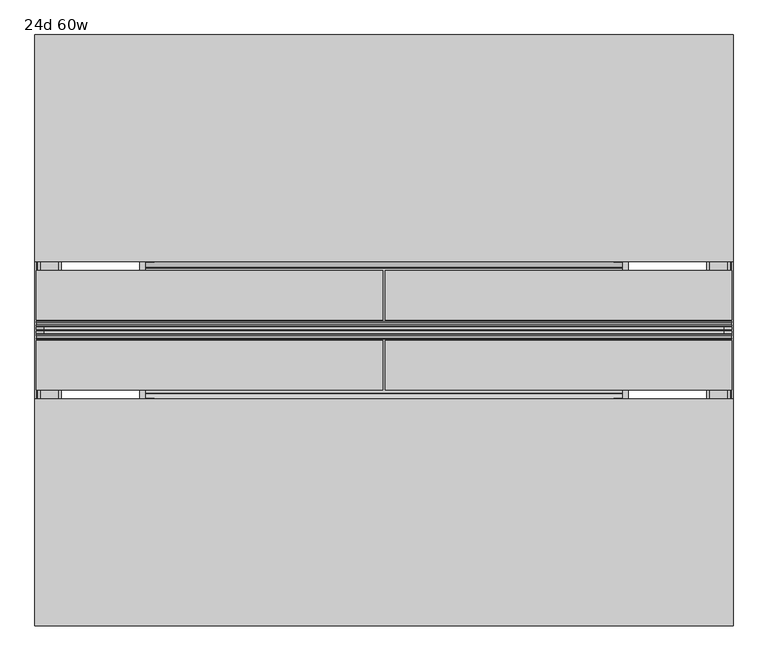
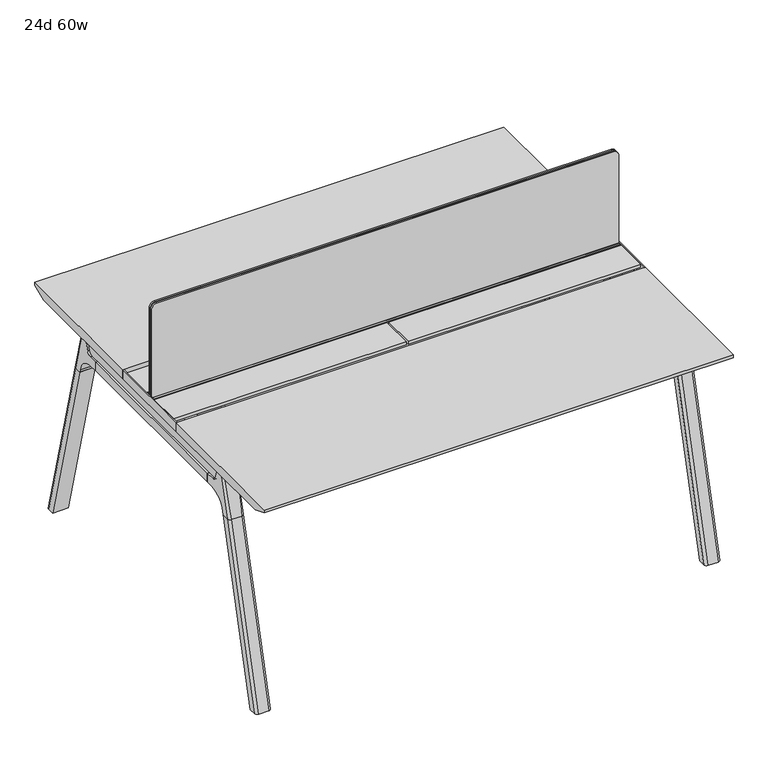
"""IFC4 building model written with IfcOpenShell, lengths in millimetres: furniture geometry, 24d 60w."""

from ifc_helpers import new_model, si_unit, point, frame, frame_2d, origin, place, context, project, spatial, polyline, circle_curve, ellipse_curve, trimmed, segment, composite_curve, outline, extrude, source, transform, mapped, element, save
from ifc_brep_helpers import plane_surface, cylinder_surface, revolved_surface, advanced_brep


def furniture_24d_60w_2d22938a(model_context):
    return source(origin(), model_context, "Body", "SolidModel", [
        extrude(outline(composite_curve([segment(polyline([(1054.89375, 955.675), (1054.89375, -523.875)]), True, "CONTINUOUS"), segment(trimmed(circle_curve(frame_2d((1039.01875, -523.875)), 15.875), [point((1054.89375, -523.875))], [point((1039.01875, -539.75))], False, "CARTESIAN"), True, "CONTINUOUS"), segment(polyline([(1039.01875, -539.75), (720.725, -539.75), (720.725, 971.55), (1039.01875, 971.55)]), True, "CONTINUOUS"), segment(trimmed(circle_curve(frame_2d((1039.01875, 955.675)), 15.875), [point((1039.01875, 971.55))], [point((1054.89375, 955.675))], False, "CARTESIAN"), True, "CONTINUOUS")], self_intersect=False)), frame((0.0, -201.3409766, 0.0), z_axis=(0.0, 1.0, 0.0), x_axis=(0.0, 0.0, 1.0)), (0.0, 0.0, 1.0), 3.175),
        extrude(outline(composite_curve([segment(polyline([(1058.06875, 958.85), (1058.06875, -527.05)]), True, "CONTINUOUS"), segment(trimmed(circle_curve(frame_2d((1042.19375, -527.05)), 15.875), [point((1058.06875, -527.05))], [point((1042.19375, -542.925))], False, "CARTESIAN"), True, "CONTINUOUS"), segment(polyline([(1042.19375, -542.925), (717.55, -542.925), (717.55, 974.725), (1042.19375, 974.725)]), True, "CONTINUOUS"), segment(trimmed(circle_curve(frame_2d((1042.19375, 958.85)), 15.875), [point((1042.19375, 974.725))], [point((1058.06875, 958.85))], False, "CARTESIAN"), True, "CONTINUOUS")], self_intersect=False)), frame((0.0, -198.1659766, 0.0), z_axis=(0.0, 1.0, 0.0), x_axis=(0.0, 0.0, 1.0)), (0.0, 0.0, 1.0), 5.55625),
        extrude(outline(composite_curve([segment(polyline([(1058.06875, 958.85), (1058.06875, -527.05)]), True, "CONTINUOUS"), segment(trimmed(circle_curve(frame_2d((1042.19375, -527.05)), 15.875), [point((1058.06875, -527.05))], [point((1042.19375, -542.925))], False, "CARTESIAN"), True, "CONTINUOUS"), segment(polyline([(1042.19375, -542.925), (717.55, -542.925), (717.55, 974.725), (1042.19375, 974.725)]), True, "CONTINUOUS"), segment(trimmed(circle_curve(frame_2d((1042.19375, 958.85)), 15.875), [point((1042.19375, 974.725))], [point((1058.06875, 958.85))], False, "CARTESIAN"), True, "CONTINUOUS")], self_intersect=False)), frame((0.0, -206.8972266, 0.0), z_axis=(0.0, 1.0, 0.0), x_axis=(0.0, 0.0, 1.0)), (0.0, 0.0, 1.0), 5.55625),
        extrude(outline(polyline([(-348.9784469, 559.4636683), (-364.040663, 627.7843353), (-35.4662901, 627.7843353), (-50.5285062, 559.4636683), (-46.7502281, 557.2647146), (-46.7502281, 549.3667827), (-62.6252238, 521.8704736), (-336.8817293, 521.8704736), (-352.756725, 549.3667827), (-352.756725, 557.2647146), (-348.9784469, 559.4636683)])), frame((736.6, 0.0, 0.0), z_axis=(1.0, 0.0, 0.0), x_axis=(0.0, 1.0, 0.0)), (0.0, 0.0, 1.0), 12.7),
        extrude(outline(polyline([(-348.9784469, 559.4636683), (-364.040663, 627.7843353), (-35.4662901, 627.7843353), (-50.5285062, 559.4636683), (-46.7502281, 557.2647146), (-46.7502281, 549.3667827), (-62.6252238, 521.8704736), (-336.8817293, 521.8704736), (-352.756725, 549.3667827), (-352.756725, 557.2647146), (-348.9784469, 559.4636683)])), frame((-317.5, 0.0, 0.0), z_axis=(1.0, 0.0, 0.0), x_axis=(0.0, 1.0, 0.0)), (0.0, 0.0, 1.0), 12.7),
        extrude(outline(polyline([(-18.0090763, 698.5), (3.7767266, 698.5), (3.7767266, 697.2935087), (-17.4495292, 697.2935087), (-19.0070753, 695.7359626), (-49.1186716, 559.1528512), (-50.5285062, 559.4636683), (-20.404074, 696.1050023), (-18.0090763, 698.5)])), frame((-317.5, 0.0, 0.0), z_axis=(1.0, 0.0, 0.0), x_axis=(0.0, 1.0, 0.0)), (0.0, 0.0, 1.0), 31.8008024),
        extrude(outline(polyline([(-381.4978768, 698.5), (-379.1028791, 696.1050023), (-348.9784469, 559.4636683), (-350.3882815, 559.1528512), (-380.4998778, 695.7359626), (-382.0574239, 697.2935087), (-403.2836797, 697.2935087), (-403.2836797, 698.5), (-381.4978768, 698.5)])), frame((-317.5, 0.0, 0.0), z_axis=(1.0, 0.0, 0.0), x_axis=(0.0, 1.0, 0.0)), (0.0, 0.0, 1.0), 31.8008024),
        extrude(outline(polyline([(-18.0090763, 698.5), (3.7767266, 698.5), (3.7767266, 697.2935087), (-17.4495292, 697.2935087), (-19.0070753, 695.7359626), (-49.1186716, 559.1528512), (-50.5285062, 559.4636683), (-20.404074, 696.1050023), (-18.0090763, 698.5)])), frame((717.4991976, 0.0, 0.0), z_axis=(1.0, 0.0, 0.0), x_axis=(0.0, 1.0, 0.0)), (0.0, 0.0, 1.0), 31.8008024),
        extrude(outline(polyline([(-381.4978768, 698.5), (-379.1028791, 696.1050023), (-348.9784469, 559.4636683), (-350.3882815, 559.1528512), (-380.4998778, 695.7359626), (-382.0574239, 697.2935087), (-403.2836797, 697.2935087), (-403.2836797, 698.5), (-381.4978768, 698.5)])), frame((717.4991976, 0.0, 0.0), z_axis=(1.0, 0.0, 0.0), x_axis=(0.0, 1.0, 0.0)), (0.0, 0.0, 1.0), 31.8008024),
        extrude(outline(polyline([(-353.550475, 557.5934966), (-351.518477, 559.6254947), (-350.957211, 559.0642287), (-352.756725, 557.2647146), (-352.756725, 549.3667827), (-352.5317745, 548.5272622), (-337.4390802, 522.3859395), (-336.0037101, 521.5572272), (-63.503243, 521.5572272), (-62.0678729, 522.3859395), (-46.9751786, 548.5272622), (-46.7502281, 549.3667827), (-46.7502281, 557.2647146), (-48.5497421, 559.0642287), (-47.9884761, 559.6254947), (-45.9564781, 557.5934966), (-45.9564781, 549.2622828), (-46.2355217, 548.2208856), (-61.4868074, 521.8048744), (-63.2905581, 520.7634772), (-336.216395, 520.7634772), (-338.0201457, 521.8048744), (-353.2714314, 548.2208856), (-353.550475, 549.2622828), (-353.550475, 557.5934966)])), frame((-317.4492037, 0.0, 0.0), z_axis=(1.0, 0.0, 0.0), x_axis=(0.0, 1.0, 0.0)), (0.0, 0.0, 1.0), 1066.7492037),
        extrude(outline(polyline([(-218.8034766, 715.9625), (-218.8034766, 741.3625), (-217.2159766, 741.3625), (-217.2159766, 720.725), (-210.8659766, 720.725), (-210.8659766, 741.3625), (-209.2784766, 741.3625), (-209.2784766, 717.55), (-190.2284766, 717.55), (-190.2284766, 741.3625), (-188.6409766, 741.3625), (-188.6409766, 720.725), (-182.2909766, 720.725), (-182.2909766, 741.3625), (-180.7034766, 741.3625), (-180.7034766, 715.9625), (-218.8034766, 715.9625)])), frame((-542.925, 0.0, 0.0), z_axis=(1.0, 0.0, 0.0), x_axis=(0.0, 1.0, 0.0)), (0.0, 0.0, 1.0), 1517.65),
        extrude(outline(composite_curve([segment(polyline([(175.6902734, 711.2), (166.6321726, 677.3947076)]), True, "CONTINUOUS"), segment(trimmed(circle_curve(frame_2d((151.2981001, 681.5034599)), 15.875), [point((166.6321726, 677.3947076))], [point((151.2981001, 665.6284599))], False, "CARTESIAN"), True, "CONTINUOUS"), segment(polyline([(151.2981001, 665.6284599), (-550.8050533, 665.6284599)]), True, "CONTINUOUS"), segment(trimmed(circle_curve(frame_2d((-550.8050533, 681.5034599)), 15.875), [point((-550.8050533, 665.6284599))], [point((-566.1391258, 677.3947076))], False, "CARTESIAN"), True, "CONTINUOUS"), segment(polyline([(-566.1391258, 677.3947076), (-575.1972266, 711.2), (175.6902734, 711.2)]), True, "CONTINUOUS")], self_intersect=False)), frame((927.1, 0.0, 0.0), z_axis=(1.0, 0.0, 0.0), x_axis=(0.0, 1.0, 0.0)), (0.0, 0.0, 1.0), 38.1),
        extrude(outline(polyline([(971.55, 115.3652734), (971.55, -514.8722266), (920.75, -514.8722266), (920.75, 115.3652734), (971.55, 115.3652734)])), frame((0.0, 0.0, 635.6476591), z_axis=(0.0, 0.0, 1.0), x_axis=(1.0, 0.0, 0.0)), (0.0, 0.0, 1.0), 29.9808008),
        extrude(outline(composite_curve([segment(polyline([(175.6902734, 711.2), (166.6321726, 677.3947076)]), True, "CONTINUOUS"), segment(trimmed(circle_curve(frame_2d((151.2981001, 681.5034599)), 15.875), [point((166.6321726, 677.3947076))], [point((151.2981001, 665.6284599))], False, "CARTESIAN"), True, "CONTINUOUS"), segment(polyline([(151.2981001, 665.6284599), (-550.8050533, 665.6284599)]), True, "CONTINUOUS"), segment(trimmed(circle_curve(frame_2d((-550.8050533, 681.5034599)), 15.875), [point((-550.8050533, 665.6284599))], [point((-566.1391258, 677.3947076))], False, "CARTESIAN"), True, "CONTINUOUS"), segment(polyline([(-566.1391258, 677.3947076), (-575.1972266, 711.2), (175.6902734, 711.2)]), True, "CONTINUOUS")], self_intersect=False)), frame((-533.4, 0.0, 0.0), z_axis=(1.0, 0.0, 0.0), x_axis=(0.0, 1.0, 0.0)), (0.0, 0.0, 1.0), 38.1),
        extrude(outline(polyline([(-488.95, 115.3652734), (-488.95, -514.8722266), (-539.75, -514.8722266), (-539.75, 115.3652734), (-488.95, 115.3652734)])), frame((0.0, 0.0, 635.6476591), z_axis=(0.0, 0.0, 1.0), x_axis=(1.0, 0.0, 0.0)), (0.0, 0.0, 1.0), 29.9808008),
        advanced_brep(
        [(920.75, -568.8935553, 711.2), (920.75, -559.8354545, 677.3947076), (920.75, -544.501382, 665.6284599), (920.75, -514.8722266, 665.6284599), (920.75, -514.8722266, 635.6476591), (920.75, -537.7434588, 635.6476591), (920.75, -602.1465633, 586.2294189), (920.75, -604.7047754, 576.6820411), (920.75, -625.8087453, 576.6820411), (920.75, -590.3601017, 711.2), (971.55, -604.7047754, 576.6820411), (971.55, -602.1465633, 586.2294189), (971.55, -537.7434588, 635.6476591), (971.55, -514.8722266, 635.6476591), (971.55, -514.8722266, 665.6284599), (971.55, -544.501382, 665.6284599), (971.55, -559.8354545, 677.3947076), (971.55, -568.8935553, 711.2), (971.55, -590.3601017, 711.2), (971.55, -625.8087453, 576.6820411), (927.0138162, -599.6149462, 711.2), (965.2861838, -599.6149462, 711.2), (962.025, -635.6589247, 576.6820411), (930.275, -635.6589247, 576.6820411)],
        [
            (0, 1),
            (1, 2, circle_curve(frame((920.75, -544.501382, 681.5034599), z_axis=(1.0, 0.0, 0.0), x_axis=(0.0, -1.0, 0.0)), 15.875)),
            (2, 3),
            (3, 4),
            (4, 5),
            (5, 6, circle_curve(frame((920.75, -537.7434588, 568.9726591), z_axis=(1.0, 0.0, 0.0), x_axis=(0.0, -1.0, 0.0)), 66.675)),
            (6, 7),
            (7, 8),
            (8, 9),
            (9, 0),
            (10, 11),
            (11, 12, circle_curve(frame((971.55, -537.7434588, 568.9726591), z_axis=(-1.0, 0.0, 0.0), x_axis=(0.0, -1.0, 0.0)), 66.675)),
            (12, 13),
            (13, 14),
            (14, 15),
            (15, 16, circle_curve(frame((971.55, -544.501382, 681.5034599), z_axis=(-1.0, 0.0, 0.0), x_axis=(0.0, -1.0, 0.0)), 15.875)),
            (16, 17),
            (17, 18),
            (18, 19),
            (19, 10),
            (17, 0),
            (9, 20, ellipse_curve(frame((930.275, -590.3601017, 711.2), z_axis=(0.0, 0.0, 1.0), x_axis=(0.0, -1.0, 0.0)), 9.8501793, 9.525)),
            (20, 21),
            (21, 18, ellipse_curve(frame((962.025, -590.3601017, 711.2), z_axis=(0.0, 0.0, 1.0), x_axis=(0.0, -1.0, 0.0)), 9.8501793, 9.525)),
            (16, 1),
            (15, 2),
            (14, 3),
            (13, 4),
            (12, 5),
            (11, 6),
            (10, 7),
            (19, 22, ellipse_curve(frame((962.025, -625.8087453, 576.6820411), z_axis=(0.0, 0.0, -1.0), x_axis=(0.0, -1.0, 0.0)), 9.8501793, 9.525)),
            (22, 23),
            (23, 8, ellipse_curve(frame((930.275, -625.8087453, 576.6820411), z_axis=(0.0, 0.0, -1.0), x_axis=(0.0, -1.0, 0.0)), 9.8501793, 9.525)),
            (20, 23, ellipse_curve(frame((930.275, -39.2892106, 2802.3641142), z_axis=(0.0, -0.9659258262890684, 0.2588190451025206), x_axis=(0.0, -0.2588190451025206, -0.9659258262890684)), 2304.1956354, 9.525)),
            (22, 21, ellipse_curve(frame((962.025, -39.2892106, 2802.3641142), z_axis=(0.0, -0.9659258262890684, 0.2588190451025206), x_axis=(0.0, -0.2588190451025206, -0.9659258262890684)), 2304.1956354, 9.525)),
        ],
        [
            plane_surface(frame((920.75, -599.6149462, 711.2), z_axis=(-1.0, 0.0, 0.0), x_axis=(0.0, 1.0, 0.0))),
            plane_surface(frame((971.55, -599.6149462, 711.2), z_axis=(1.0, 0.0, 0.0), x_axis=(0.0, -1.0, 0.0))),
            plane_surface(frame((920.75, -599.6149462, 711.2), z_axis=(0.0, 0.0, 1.0), x_axis=(1.0, 0.0, 0.0))),
            plane_surface(frame((920.75, -568.8935553, 711.2), z_axis=(0.0, 0.9659258262890683, 0.2588190451025207), x_axis=(1.0, 0.0, 0.0))),
            revolved_surface(polyline([(971.55, -560.376382, 681.5034599), (920.75, -560.376382, 681.5034599)]), (971.55, -544.501382, 681.5034599), (1.0, 0.0, 0.0)),
            plane_surface(frame((920.75, -544.501382, 665.6284599), z_axis=(0.0, 0.0, 1.0), x_axis=(1.0, 0.0, 0.0))),
            plane_surface(frame((920.75, -514.8722266, 665.6284599), z_axis=(0.0, 1.0, 0.0), x_axis=(1.0, 0.0, 0.0))),
            plane_surface(frame((920.75, -514.8722266, 635.6476591), z_axis=(0.0, 0.0, -1.0), x_axis=(1.0, 0.0, 0.0))),
            revolved_surface(polyline([(971.55, -604.4184587999999, 568.9726591), (920.75, -604.4184587999999, 568.9726591)]), (971.55, -537.7434588, 568.9726591), (1.0, 0.0, 0.0)),
            plane_surface(frame((920.75, -602.1465633, 586.2294189), z_axis=(0.0, 0.9659258262890693, -0.25881904510251696), x_axis=(1.0, 0.0, 0.0))),
            plane_surface(frame((920.75, -604.7047754, 576.6820411), z_axis=(0.0, 0.0, -1.0), x_axis=(1.0, 0.0, 0.0))),
            plane_surface(frame((920.75, -635.6589247, 576.6820411), z_axis=(0.0, -0.9659258262890684, 0.2588190451025206), x_axis=(1.0, 0.0, 0.0))),
            cylinder_surface(frame((930.275, -778.4176402, -2.4271979), z_axis=(0.0, -0.25482392474081483, -0.966987470125486), x_axis=(1.0, 0.0, 0.0)), 9.525),
            cylinder_surface(frame((962.025, -778.4176402, -2.4271979), z_axis=(0.0, -0.25482392474081483, -0.966987470125486), x_axis=(1.0, 0.0, 0.0)), 9.525),
        ],
        [
            (0, [[1, 2, 3, 4, 5, 6, 7, 8, 9, 10]]),
            (1, [[11, 12, 13, 14, 15, 16, 17, 18, 19, 20]]),
            (2, [[21, -10, 22, 23, 24, -18]]),
            (3, [[-1, -21, -17, 25]]),
            (4, [[-2, -25, -16, 26]]),
            (5, [[-3, -26, -15, 27]]),
            (6, [[-4, -27, -14, 28]]),
            (7, [[-5, -28, -13, 29]]),
            (8, [[-6, -29, -12, 30]]),
            (9, [[-7, -30, -11, 31]]),
            (10, [[-31, -20, 32, 33, 34, -8]]),
            (11, [[-23, 35, -33, 36]]),
            (12, [[-9, -34, -35, -22]]),
            (13, [[-19, -24, -36, -32]]),
        ],
    ),
        advanced_brep(
        [(920.75, -604.7047754, 576.6820411), (920.75, -756.6740466, 0.0), (920.75, -777.7780165, 0.0), (920.75, -625.8087453, 576.6820411), (971.55, -756.6740466, 0.0), (971.55, -604.7047754, 576.6820411), (971.55, -625.8087453, 576.6820411), (971.55, -777.7780165, 0.0), (930.275, -635.6589247, 576.6820411), (962.025, -635.6589247, 576.6820411), (962.025, -787.6281958, 0.0), (930.275, -787.6281958, 0.0)],
        [
            (0, 1),
            (1, 2),
            (2, 3),
            (3, 0),
            (4, 5),
            (5, 6),
            (6, 7),
            (7, 4),
            (5, 0),
            (3, 8, ellipse_curve(frame((930.275, -625.8087453, 576.6820411), z_axis=(0.0, 0.0, 1.0), x_axis=(0.0, -1.0, 0.0)), 9.8501793, 9.525)),
            (8, 9),
            (9, 6, ellipse_curve(frame((962.025, -625.8087453, 576.6820411), z_axis=(0.0, 0.0, 1.0), x_axis=(0.0, -1.0, 0.0)), 9.8501793, 9.525)),
            (4, 1),
            (7, 10, ellipse_curve(frame((962.025, -777.7780165, 0.0), z_axis=(0.0, 0.0, -1.0), x_axis=(0.0, -1.0, 0.0)), 9.8501793, 9.525)),
            (10, 11),
            (11, 2, ellipse_curve(frame((930.275, -777.7780165, 0.0), z_axis=(0.0, 0.0, -1.0), x_axis=(0.0, -1.0, 0.0)), 9.8501793, 9.525)),
            (8, 11),
            (10, 9),
        ],
        [
            plane_surface(frame((920.75, -635.6589247, 576.6820411), z_axis=(-1.0, 0.0, 0.0), x_axis=(0.0, 1.0, 0.0))),
            plane_surface(frame((971.55, -635.6589247, 576.6820411), z_axis=(1.0, 0.0, 0.0), x_axis=(0.0, -1.0, 0.0))),
            plane_surface(frame((920.75, -635.6589247, 576.6820411), z_axis=(0.0, 0.0, 1.0), x_axis=(1.0, 0.0, 0.0))),
            plane_surface(frame((920.75, -604.7047754, 576.6820411), z_axis=(0.0, 0.9669874701254844, -0.2548239247408208), x_axis=(1.0, 0.0, 0.0))),
            plane_surface(frame((920.75, -756.6740466, 0.0), z_axis=(0.0, 0.0, -1.0), x_axis=(1.0, 0.0, 0.0))),
            plane_surface(frame((920.75, -787.6281958, 0.0), z_axis=(0.0, -0.9669874701254855, 0.2548239247408166), x_axis=(1.0, 0.0, 0.0))),
            cylinder_surface(frame((930.275, -778.4176402, -2.4271979), z_axis=(0.0, -0.25482392474081483, -0.966987470125486), x_axis=(1.0, 0.0, 0.0)), 9.525),
            cylinder_surface(frame((962.025, -778.4176402, -2.4271979), z_axis=(0.0, -0.25482392474081483, -0.966987470125486), x_axis=(1.0, 0.0, 0.0)), 9.525),
        ],
        [
            (0, [[1, 2, 3, 4]]),
            (1, [[5, 6, 7, 8]]),
            (2, [[9, -4, 10, 11, 12, -6]]),
            (3, [[-1, -9, -5, 13]]),
            (4, [[-13, -8, 14, 15, 16, -2]]),
            (5, [[-11, 17, -15, 18]]),
            (6, [[-3, -16, -17, -10]]),
            (7, [[-7, -12, -18, -14]]),
        ],
    ),
        advanced_brep(
        [(971.55, 169.3866022, 711.2), (971.55, 160.3285014, 677.3947076), (971.55, 144.9944289, 665.6284599), (971.55, 115.3652734, 665.6284599), (971.55, 115.3652734, 635.6476591), (971.55, 138.2365057, 635.6476591), (971.55, 202.6396101, 586.2294189), (971.55, 205.1978223, 576.6820411), (971.55, 226.3017922, 576.6820411), (971.55, 190.8531486, 711.2), (920.75, 205.1978223, 576.6820411), (920.75, 202.6396101, 586.2294189), (920.75, 138.2365057, 635.6476591), (920.75, 115.3652734, 635.6476591), (920.75, 115.3652734, 665.6284599), (920.75, 144.9944289, 665.6284599), (920.75, 160.3285014, 677.3947076), (920.75, 169.3866022, 711.2), (920.75, 190.8531486, 711.2), (920.75, 226.3017922, 576.6820411), (965.2861838, 200.1079931, 711.2), (927.0138162, 200.1079931, 711.2), (930.275, 236.1519716, 576.6820411), (962.025, 236.1519716, 576.6820411)],
        [
            (0, 1),
            (1, 2, circle_curve(frame((971.55, 144.9944289, 681.5034599), z_axis=(-1.0, 0.0, 0.0), x_axis=(0.0, 1.0, 0.0)), 15.875)),
            (2, 3),
            (3, 4),
            (4, 5),
            (5, 6, circle_curve(frame((971.55, 138.2365057, 568.9726591), z_axis=(-1.0, 0.0, 0.0), x_axis=(0.0, 1.0, 0.0)), 66.675)),
            (6, 7),
            (7, 8),
            (8, 9),
            (9, 0),
            (10, 11),
            (11, 12, circle_curve(frame((920.75, 138.2365057, 568.9726591), z_axis=(1.0, 0.0, 0.0), x_axis=(0.0, 1.0, 0.0)), 66.675)),
            (12, 13),
            (13, 14),
            (14, 15),
            (15, 16, circle_curve(frame((920.75, 144.9944289, 681.5034599), z_axis=(1.0, 0.0, 0.0), x_axis=(0.0, 1.0, 0.0)), 15.875)),
            (16, 17),
            (17, 18),
            (18, 19),
            (19, 10),
            (17, 0),
            (9, 20, ellipse_curve(frame((962.025, 190.8531486, 711.2), z_axis=(0.0, 0.0, 1.0), x_axis=(0.0, 1.0, 0.0)), 9.8501793, 9.525)),
            (20, 21),
            (21, 18, ellipse_curve(frame((930.275, 190.8531486, 711.2), z_axis=(0.0, 0.0, 1.0), x_axis=(0.0, 1.0, 0.0)), 9.8501793, 9.525)),
            (16, 1),
            (15, 2),
            (14, 3),
            (13, 4),
            (12, 5),
            (11, 6),
            (10, 7),
            (19, 22, ellipse_curve(frame((930.275, 226.3017922, 576.6820411), z_axis=(0.0, 0.0, -1.0), x_axis=(0.0, 1.0, 0.0)), 9.8501793, 9.525)),
            (22, 23),
            (23, 8, ellipse_curve(frame((962.025, 226.3017922, 576.6820411), z_axis=(0.0, 0.0, -1.0), x_axis=(0.0, 1.0, 0.0)), 9.8501793, 9.525)),
            (20, 23, ellipse_curve(frame((962.025, -360.2177425, 2802.3641142), z_axis=(0.0, 0.9659258262890684, 0.2588190451025206), x_axis=(0.0, 0.2588190451025206, -0.9659258262890684)), 2304.1956354, 9.525)),
            (22, 21, ellipse_curve(frame((930.275, -360.2177425, 2802.3641142), z_axis=(0.0, 0.9659258262890684, 0.2588190451025206), x_axis=(0.0, 0.2588190451025206, -0.9659258262890684)), 2304.1956354, 9.525)),
        ],
        [
            plane_surface(frame((971.55, 200.1079931, 711.2), z_axis=(1.0, 0.0, 0.0), x_axis=(0.0, -1.0, 0.0))),
            plane_surface(frame((920.75, 200.1079931, 711.2), z_axis=(-1.0, 0.0, 0.0), x_axis=(0.0, 1.0, 0.0))),
            plane_surface(frame((971.55, 200.1079931, 711.2), z_axis=(0.0, 0.0, 1.0), x_axis=(-1.0, 0.0, 0.0))),
            plane_surface(frame((971.55, 169.3866022, 711.2), z_axis=(0.0, -0.9659258262890683, 0.2588190451025207), x_axis=(-1.0, 0.0, 0.0))),
            revolved_surface(polyline([(920.75, 160.8694289, 681.5034599), (971.55, 160.8694289, 681.5034599)]), (920.75, 144.9944289, 681.5034599), (-1.0, 0.0, 0.0)),
            plane_surface(frame((971.55, 144.9944289, 665.6284599), z_axis=(0.0, 0.0, 1.0), x_axis=(-1.0, 0.0, 0.0))),
            plane_surface(frame((971.55, 115.3652734, 665.6284599), z_axis=(0.0, -1.0, 0.0), x_axis=(-1.0, 0.0, 0.0))),
            plane_surface(frame((971.55, 115.3652734, 635.6476591), z_axis=(0.0, 0.0, -1.0), x_axis=(-1.0, 0.0, 0.0))),
            revolved_surface(polyline([(920.75, 204.91150570000002, 568.9726591), (971.55, 204.91150570000002, 568.9726591)]), (920.75, 138.2365057, 568.9726591), (-1.0, 0.0, 0.0)),
            plane_surface(frame((971.55, 202.6396101, 586.2294189), z_axis=(0.0, -0.9659258262890693, -0.25881904510251696), x_axis=(-1.0, 0.0, 0.0))),
            plane_surface(frame((971.55, 205.1978223, 576.6820411), z_axis=(0.0, 0.0, -1.0), x_axis=(-1.0, 0.0, 0.0))),
            plane_surface(frame((971.55, 236.1519716, 576.6820411), z_axis=(0.0, 0.9659258262890684, 0.2588190451025206), x_axis=(-1.0, 0.0, 0.0))),
            cylinder_surface(frame((962.025, 378.9106871, -2.4271979), z_axis=(0.0, 0.25482392474081483, -0.966987470125486), x_axis=(-1.0, 0.0, 0.0)), 9.525),
            cylinder_surface(frame((930.275, 378.9106871, -2.4271979), z_axis=(0.0, 0.25482392474081483, -0.966987470125486), x_axis=(-1.0, 0.0, 0.0)), 9.525),
        ],
        [
            (0, [[1, 2, 3, 4, 5, 6, 7, 8, 9, 10]]),
            (1, [[11, 12, 13, 14, 15, 16, 17, 18, 19, 20]]),
            (2, [[21, -10, 22, 23, 24, -18]]),
            (3, [[-1, -21, -17, 25]]),
            (4, [[-2, -25, -16, 26]]),
            (5, [[-3, -26, -15, 27]]),
            (6, [[-4, -27, -14, 28]]),
            (7, [[-5, -28, -13, 29]]),
            (8, [[-6, -29, -12, 30]]),
            (9, [[-7, -30, -11, 31]]),
            (10, [[-31, -20, 32, 33, 34, -8]]),
            (11, [[-23, 35, -33, 36]]),
            (12, [[-9, -34, -35, -22]]),
            (13, [[-19, -24, -36, -32]]),
        ],
    ),
        advanced_brep(
        [(971.55, 205.1978223, 576.6820411), (971.55, 357.1670935, 0.0), (971.55, 378.2710634, 0.0), (971.55, 226.3017922, 576.6820411), (920.75, 357.1670935, 0.0), (920.75, 205.1978223, 576.6820411), (920.75, 226.3017922, 576.6820411), (920.75, 378.2710634, 0.0), (962.025, 236.1519716, 576.6820411), (930.275, 236.1519716, 576.6820411), (930.275, 388.1212427, 0.0), (962.025, 388.1212427, 0.0)],
        [
            (0, 1),
            (1, 2),
            (2, 3),
            (3, 0),
            (4, 5),
            (5, 6),
            (6, 7),
            (7, 4),
            (5, 0),
            (3, 8, ellipse_curve(frame((962.025, 226.3017922, 576.6820411), z_axis=(0.0, 0.0, 1.0), x_axis=(0.0, 1.0, 0.0)), 9.8501793, 9.525)),
            (8, 9),
            (9, 6, ellipse_curve(frame((930.275, 226.3017922, 576.6820411), z_axis=(0.0, 0.0, 1.0), x_axis=(0.0, 1.0, 0.0)), 9.8501793, 9.525)),
            (4, 1),
            (7, 10, ellipse_curve(frame((930.275, 378.2710634, 0.0), z_axis=(0.0, 0.0, -1.0), x_axis=(0.0, 1.0, 0.0)), 9.8501793, 9.525)),
            (10, 11),
            (11, 2, ellipse_curve(frame((962.025, 378.2710634, 0.0), z_axis=(0.0, 0.0, -1.0), x_axis=(0.0, 1.0, 0.0)), 9.8501793, 9.525)),
            (8, 11),
            (10, 9),
        ],
        [
            plane_surface(frame((971.55, 236.1519716, 576.6820411), z_axis=(1.0, 0.0, 0.0), x_axis=(0.0, -1.0, 0.0))),
            plane_surface(frame((920.75, 236.1519716, 576.6820411), z_axis=(-1.0, 0.0, 0.0), x_axis=(0.0, 1.0, 0.0))),
            plane_surface(frame((971.55, 236.1519716, 576.6820411), z_axis=(0.0, 0.0, 1.0), x_axis=(-1.0, 0.0, 0.0))),
            plane_surface(frame((971.55, 205.1978223, 576.6820411), z_axis=(0.0, -0.9669874701254844, -0.2548239247408208), x_axis=(-1.0, 0.0, 0.0))),
            plane_surface(frame((971.55, 357.1670935, 0.0), z_axis=(0.0, 0.0, -1.0), x_axis=(-1.0, 0.0, 0.0))),
            plane_surface(frame((971.55, 388.1212427, 0.0), z_axis=(0.0, 0.9669874701254855, 0.2548239247408166), x_axis=(-1.0, 0.0, 0.0))),
            cylinder_surface(frame((962.025, 378.9106871, -2.4271979), z_axis=(0.0, 0.25482392474081483, -0.966987470125486), x_axis=(-1.0, 0.0, 0.0)), 9.525),
            cylinder_surface(frame((930.275, 378.9106871, -2.4271979), z_axis=(0.0, 0.25482392474081483, -0.966987470125486), x_axis=(-1.0, 0.0, 0.0)), 9.525),
        ],
        [
            (0, [[1, 2, 3, 4]]),
            (1, [[5, 6, 7, 8]]),
            (2, [[9, -4, 10, 11, 12, -6]]),
            (3, [[-1, -9, -5, 13]]),
            (4, [[-13, -8, 14, 15, 16, -2]]),
            (5, [[-11, 17, -15, 18]]),
            (6, [[-3, -16, -17, -10]]),
            (7, [[-7, -12, -18, -14]]),
        ],
    ),
        advanced_brep(
        [(-488.95, 169.3866022, 711.2), (-488.95, 160.3285014, 677.3947076), (-488.95, 144.9944289, 665.6284599), (-488.95, 115.3652734, 665.6284599), (-488.95, 115.3652734, 635.6476591), (-488.95, 138.2365057, 635.6476591), (-488.95, 202.6396101, 586.2294189), (-488.95, 205.1978223, 576.6820411), (-488.95, 226.3017922, 576.6820411), (-488.95, 190.8531486, 711.2), (-539.75, 205.1978223, 576.6820411), (-539.75, 202.6396101, 586.2294189), (-539.75, 138.2365057, 635.6476591), (-539.75, 115.3652734, 635.6476591), (-539.75, 115.3652734, 665.6284599), (-539.75, 144.9944289, 665.6284599), (-539.75, 160.3285014, 677.3947076), (-539.75, 169.3866022, 711.2), (-539.75, 190.8531486, 711.2), (-539.75, 226.3017922, 576.6820411), (-495.2138162, 200.1079931, 711.2), (-533.4861838, 200.1079931, 711.2), (-530.225, 236.1519716, 576.6820411), (-498.475, 236.1519716, 576.6820411)],
        [
            (0, 1),
            (1, 2, circle_curve(frame((-488.95, 144.9944289, 681.5034599), z_axis=(-1.0, 0.0, 0.0), x_axis=(0.0, 1.0, 0.0)), 15.875)),
            (2, 3),
            (3, 4),
            (4, 5),
            (5, 6, circle_curve(frame((-488.95, 138.2365057, 568.9726591), z_axis=(-1.0, 0.0, 0.0), x_axis=(0.0, 1.0, 0.0)), 66.675)),
            (6, 7),
            (7, 8),
            (8, 9),
            (9, 0),
            (10, 11),
            (11, 12, circle_curve(frame((-539.75, 138.2365057, 568.9726591), z_axis=(1.0, 0.0, 0.0), x_axis=(0.0, 1.0, 0.0)), 66.675)),
            (12, 13),
            (13, 14),
            (14, 15),
            (15, 16, circle_curve(frame((-539.75, 144.9944289, 681.5034599), z_axis=(1.0, 0.0, 0.0), x_axis=(0.0, 1.0, 0.0)), 15.875)),
            (16, 17),
            (17, 18),
            (18, 19),
            (19, 10),
            (17, 0),
            (9, 20, ellipse_curve(frame((-498.475, 190.8531486, 711.2), z_axis=(0.0, 0.0, 1.0), x_axis=(0.0, 1.0, 0.0)), 9.8501793, 9.525)),
            (20, 21),
            (21, 18, ellipse_curve(frame((-530.225, 190.8531486, 711.2), z_axis=(0.0, 0.0, 1.0), x_axis=(0.0, 1.0, 0.0)), 9.8501793, 9.525)),
            (16, 1),
            (15, 2),
            (14, 3),
            (13, 4),
            (12, 5),
            (11, 6),
            (10, 7),
            (19, 22, ellipse_curve(frame((-530.225, 226.3017922, 576.6820411), z_axis=(0.0, 0.0, -1.0), x_axis=(0.0, 1.0, 0.0)), 9.8501793, 9.525)),
            (22, 23),
            (23, 8, ellipse_curve(frame((-498.475, 226.3017922, 576.6820411), z_axis=(0.0, 0.0, -1.0), x_axis=(0.0, 1.0, 0.0)), 9.8501793, 9.525)),
            (20, 23, ellipse_curve(frame((-498.475, -360.2177425, 2802.3641142), z_axis=(0.0, 0.9659258262890684, 0.2588190451025206), x_axis=(0.0, 0.2588190451025206, -0.9659258262890684)), 2304.1956354, 9.525)),
            (22, 21, ellipse_curve(frame((-530.225, -360.2177425, 2802.3641142), z_axis=(0.0, 0.9659258262890684, 0.2588190451025206), x_axis=(0.0, 0.2588190451025206, -0.9659258262890684)), 2304.1956354, 9.525)),
        ],
        [
            plane_surface(frame((-488.95, 200.1079931, 711.2), z_axis=(1.0, 0.0, 0.0), x_axis=(0.0, -1.0, 0.0))),
            plane_surface(frame((-539.75, 200.1079931, 711.2), z_axis=(-1.0, 0.0, 0.0), x_axis=(0.0, 1.0, 0.0))),
            plane_surface(frame((-488.95, 200.1079931, 711.2), z_axis=(0.0, 0.0, 1.0), x_axis=(-1.0, 0.0, 0.0))),
            plane_surface(frame((-488.95, 169.3866022, 711.2), z_axis=(0.0, -0.9659258262890683, 0.2588190451025207), x_axis=(-1.0, 0.0, 0.0))),
            revolved_surface(polyline([(-539.75, 160.8694289, 681.5034599), (-488.95, 160.8694289, 681.5034599)]), (-539.75, 144.9944289, 681.5034599), (-1.0, 0.0, 0.0)),
            plane_surface(frame((-488.95, 144.9944289, 665.6284599), z_axis=(0.0, 0.0, 1.0), x_axis=(-1.0, 0.0, 0.0))),
            plane_surface(frame((-488.95, 115.3652734, 665.6284599), z_axis=(0.0, -1.0, 0.0), x_axis=(-1.0, 0.0, 0.0))),
            plane_surface(frame((-488.95, 115.3652734, 635.6476591), z_axis=(0.0, 0.0, -1.0), x_axis=(-1.0, 0.0, 0.0))),
            revolved_surface(polyline([(-539.75, 204.91150570000002, 568.9726591), (-488.95, 204.91150570000002, 568.9726591)]), (-539.75, 138.2365057, 568.9726591), (-1.0, 0.0, 0.0)),
            plane_surface(frame((-488.95, 202.6396101, 586.2294189), z_axis=(0.0, -0.9659258262890693, -0.25881904510251696), x_axis=(-1.0, 0.0, 0.0))),
            plane_surface(frame((-488.95, 205.1978223, 576.6820411), z_axis=(0.0, 0.0, -1.0), x_axis=(-1.0, 0.0, 0.0))),
            plane_surface(frame((-488.95, 236.1519716, 576.6820411), z_axis=(0.0, 0.9659258262890684, 0.2588190451025206), x_axis=(-1.0, 0.0, 0.0))),
            cylinder_surface(frame((-498.475, 378.9106871, -2.4271979), z_axis=(0.0, 0.25482392474081483, -0.966987470125486), x_axis=(-1.0, 0.0, 0.0)), 9.525),
            cylinder_surface(frame((-530.225, 378.9106871, -2.4271979), z_axis=(0.0, 0.25482392474081483, -0.966987470125486), x_axis=(-1.0, 0.0, 0.0)), 9.525),
        ],
        [
            (0, [[1, 2, 3, 4, 5, 6, 7, 8, 9, 10]]),
            (1, [[11, 12, 13, 14, 15, 16, 17, 18, 19, 20]]),
            (2, [[21, -10, 22, 23, 24, -18]]),
            (3, [[-1, -21, -17, 25]]),
            (4, [[-2, -25, -16, 26]]),
            (5, [[-3, -26, -15, 27]]),
            (6, [[-4, -27, -14, 28]]),
            (7, [[-5, -28, -13, 29]]),
            (8, [[-6, -29, -12, 30]]),
            (9, [[-7, -30, -11, 31]]),
            (10, [[-31, -20, 32, 33, 34, -8]]),
            (11, [[-23, 35, -33, 36]]),
            (12, [[-9, -34, -35, -22]]),
            (13, [[-19, -24, -36, -32]]),
        ],
    ),
        advanced_brep(
        [(-488.95, 205.1978223, 576.6820411), (-488.95, 357.1670935, 0.0), (-488.95, 378.2710634, 0.0), (-488.95, 226.3017922, 576.6820411), (-539.75, 357.1670935, 0.0), (-539.75, 205.1978223, 576.6820411), (-539.75, 226.3017922, 576.6820411), (-539.75, 378.2710634, 0.0), (-498.475, 236.1519716, 576.6820411), (-530.225, 236.1519716, 576.6820411), (-530.225, 388.1212427, 0.0), (-498.475, 388.1212427, 0.0)],
        [
            (0, 1),
            (1, 2),
            (2, 3),
            (3, 0),
            (4, 5),
            (5, 6),
            (6, 7),
            (7, 4),
            (5, 0),
            (3, 8, ellipse_curve(frame((-498.475, 226.3017922, 576.6820411), z_axis=(0.0, 0.0, 1.0), x_axis=(0.0, 1.0, 0.0)), 9.8501793, 9.525)),
            (8, 9),
            (9, 6, ellipse_curve(frame((-530.225, 226.3017922, 576.6820411), z_axis=(0.0, 0.0, 1.0), x_axis=(0.0, 1.0, 0.0)), 9.8501793, 9.525)),
            (4, 1),
            (7, 10, ellipse_curve(frame((-530.225, 378.2710634, 0.0), z_axis=(0.0, 0.0, -1.0), x_axis=(0.0, 1.0, 0.0)), 9.8501793, 9.525)),
            (10, 11),
            (11, 2, ellipse_curve(frame((-498.475, 378.2710634, 0.0), z_axis=(0.0, 0.0, -1.0), x_axis=(0.0, 1.0, 0.0)), 9.8501793, 9.525)),
            (8, 11),
            (10, 9),
        ],
        [
            plane_surface(frame((-488.95, 236.1519716, 576.6820411), z_axis=(1.0, 0.0, 0.0), x_axis=(0.0, -1.0, 0.0))),
            plane_surface(frame((-539.75, 236.1519716, 576.6820411), z_axis=(-1.0, 0.0, 0.0), x_axis=(0.0, 1.0, 0.0))),
            plane_surface(frame((-488.95, 236.1519716, 576.6820411), z_axis=(0.0, 0.0, 1.0), x_axis=(-1.0, 0.0, 0.0))),
            plane_surface(frame((-488.95, 205.1978223, 576.6820411), z_axis=(0.0, -0.9669874701254844, -0.2548239247408208), x_axis=(-1.0, 0.0, 0.0))),
            plane_surface(frame((-488.95, 357.1670935, 0.0), z_axis=(0.0, 0.0, -1.0), x_axis=(-1.0, 0.0, 0.0))),
            plane_surface(frame((-488.95, 388.1212427, 0.0), z_axis=(0.0, 0.9669874701254855, 0.2548239247408166), x_axis=(-1.0, 0.0, 0.0))),
            cylinder_surface(frame((-498.475, 378.9106871, -2.4271979), z_axis=(0.0, 0.25482392474081483, -0.966987470125486), x_axis=(-1.0, 0.0, 0.0)), 9.525),
            cylinder_surface(frame((-530.225, 378.9106871, -2.4271979), z_axis=(0.0, 0.25482392474081483, -0.966987470125486), x_axis=(-1.0, 0.0, 0.0)), 9.525),
        ],
        [
            (0, [[1, 2, 3, 4]]),
            (1, [[5, 6, 7, 8]]),
            (2, [[9, -4, 10, 11, 12, -6]]),
            (3, [[-1, -9, -5, 13]]),
            (4, [[-13, -8, 14, 15, 16, -2]]),
            (5, [[-11, 17, -15, 18]]),
            (6, [[-3, -16, -17, -10]]),
            (7, [[-7, -12, -18, -14]]),
        ],
    ),
        advanced_brep(
        [(-539.75, -568.8935553, 711.2), (-539.75, -559.8354545, 677.3947076), (-539.75, -544.501382, 665.6284599), (-539.75, -514.8722266, 665.6284599), (-539.75, -514.8722266, 635.6476591), (-539.75, -537.7434588, 635.6476591), (-539.75, -602.1465633, 586.2294189), (-539.75, -604.7047754, 576.6820411), (-539.75, -625.8087453, 576.6820411), (-539.75, -590.3601017, 711.2), (-488.95, -604.7047754, 576.6820411), (-488.95, -602.1465633, 586.2294189), (-488.95, -537.7434588, 635.6476591), (-488.95, -514.8722266, 635.6476591), (-488.95, -514.8722266, 665.6284599), (-488.95, -544.501382, 665.6284599), (-488.95, -559.8354545, 677.3947076), (-488.95, -568.8935553, 711.2), (-488.95, -590.3601017, 711.2), (-488.95, -625.8087453, 576.6820411), (-533.4861838, -599.6149462, 711.2), (-495.2138162, -599.6149462, 711.2), (-498.475, -635.6589247, 576.6820411), (-530.225, -635.6589247, 576.6820411)],
        [
            (0, 1),
            (1, 2, circle_curve(frame((-539.75, -544.501382, 681.5034599), z_axis=(1.0, 0.0, 0.0), x_axis=(0.0, -1.0, 0.0)), 15.875)),
            (2, 3),
            (3, 4),
            (4, 5),
            (5, 6, circle_curve(frame((-539.75, -537.7434588, 568.9726591), z_axis=(1.0, 0.0, 0.0), x_axis=(0.0, -1.0, 0.0)), 66.675)),
            (6, 7),
            (7, 8),
            (8, 9),
            (9, 0),
            (10, 11),
            (11, 12, circle_curve(frame((-488.95, -537.7434588, 568.9726591), z_axis=(-1.0, 0.0, 0.0), x_axis=(0.0, -1.0, 0.0)), 66.675)),
            (12, 13),
            (13, 14),
            (14, 15),
            (15, 16, circle_curve(frame((-488.95, -544.501382, 681.5034599), z_axis=(-1.0, 0.0, 0.0), x_axis=(0.0, -1.0, 0.0)), 15.875)),
            (16, 17),
            (17, 18),
            (18, 19),
            (19, 10),
            (17, 0),
            (9, 20, ellipse_curve(frame((-530.225, -590.3601017, 711.2), z_axis=(0.0, 0.0, 1.0), x_axis=(0.0, -1.0, 0.0)), 9.8501793, 9.525)),
            (20, 21),
            (21, 18, ellipse_curve(frame((-498.475, -590.3601017, 711.2), z_axis=(0.0, 0.0, 1.0), x_axis=(0.0, -1.0, 0.0)), 9.8501793, 9.525)),
            (16, 1),
            (15, 2),
            (14, 3),
            (13, 4),
            (12, 5),
            (11, 6),
            (10, 7),
            (19, 22, ellipse_curve(frame((-498.475, -625.8087453, 576.6820411), z_axis=(0.0, 0.0, -1.0), x_axis=(0.0, -1.0, 0.0)), 9.8501793, 9.525)),
            (22, 23),
            (23, 8, ellipse_curve(frame((-530.225, -625.8087453, 576.6820411), z_axis=(0.0, 0.0, -1.0), x_axis=(0.0, -1.0, 0.0)), 9.8501793, 9.525)),
            (20, 23, ellipse_curve(frame((-530.225, -39.2892106, 2802.3641142), z_axis=(0.0, -0.9659258262890684, 0.2588190451025206), x_axis=(0.0, -0.2588190451025206, -0.9659258262890684)), 2304.1956354, 9.525)),
            (22, 21, ellipse_curve(frame((-498.475, -39.2892106, 2802.3641142), z_axis=(0.0, -0.9659258262890684, 0.2588190451025206), x_axis=(0.0, -0.2588190451025206, -0.9659258262890684)), 2304.1956354, 9.525)),
        ],
        [
            plane_surface(frame((-539.75, -599.6149462, 711.2), z_axis=(-1.0, 0.0, 0.0), x_axis=(0.0, 1.0, 0.0))),
            plane_surface(frame((-488.95, -599.6149462, 711.2), z_axis=(1.0, 0.0, 0.0), x_axis=(0.0, -1.0, 0.0))),
            plane_surface(frame((-539.75, -599.6149462, 711.2), z_axis=(0.0, 0.0, 1.0), x_axis=(1.0, 0.0, 0.0))),
            plane_surface(frame((-539.75, -568.8935553, 711.2), z_axis=(0.0, 0.9659258262890683, 0.2588190451025207), x_axis=(1.0, 0.0, 0.0))),
            revolved_surface(polyline([(-488.95, -560.376382, 681.5034599), (-539.75, -560.376382, 681.5034599)]), (-488.95, -544.501382, 681.5034599), (1.0, 0.0, 0.0)),
            plane_surface(frame((-539.75, -544.501382, 665.6284599), z_axis=(0.0, 0.0, 1.0), x_axis=(1.0, 0.0, 0.0))),
            plane_surface(frame((-539.75, -514.8722266, 665.6284599), z_axis=(0.0, 1.0, 0.0), x_axis=(1.0, 0.0, 0.0))),
            plane_surface(frame((-539.75, -514.8722266, 635.6476591), z_axis=(0.0, 0.0, -1.0), x_axis=(1.0, 0.0, 0.0))),
            revolved_surface(polyline([(-488.95, -604.4184587999999, 568.9726591), (-539.75, -604.4184587999999, 568.9726591)]), (-488.95, -537.7434588, 568.9726591), (1.0, 0.0, 0.0)),
            plane_surface(frame((-539.75, -602.1465633, 586.2294189), z_axis=(0.0, 0.9659258262890693, -0.25881904510251696), x_axis=(1.0, 0.0, 0.0))),
            plane_surface(frame((-539.75, -604.7047754, 576.6820411), z_axis=(0.0, 0.0, -1.0), x_axis=(1.0, 0.0, 0.0))),
            plane_surface(frame((-539.75, -635.6589247, 576.6820411), z_axis=(0.0, -0.9659258262890684, 0.2588190451025206), x_axis=(1.0, 0.0, 0.0))),
            cylinder_surface(frame((-530.225, -778.4176402, -2.4271979), z_axis=(0.0, -0.25482392474081483, -0.966987470125486), x_axis=(1.0, 0.0, 0.0)), 9.525),
            cylinder_surface(frame((-498.475, -778.4176402, -2.4271979), z_axis=(0.0, -0.25482392474081483, -0.966987470125486), x_axis=(1.0, 0.0, 0.0)), 9.525),
        ],
        [
            (0, [[1, 2, 3, 4, 5, 6, 7, 8, 9, 10]]),
            (1, [[11, 12, 13, 14, 15, 16, 17, 18, 19, 20]]),
            (2, [[21, -10, 22, 23, 24, -18]]),
            (3, [[-1, -21, -17, 25]]),
            (4, [[-2, -25, -16, 26]]),
            (5, [[-3, -26, -15, 27]]),
            (6, [[-4, -27, -14, 28]]),
            (7, [[-5, -28, -13, 29]]),
            (8, [[-6, -29, -12, 30]]),
            (9, [[-7, -30, -11, 31]]),
            (10, [[-31, -20, 32, 33, 34, -8]]),
            (11, [[-23, 35, -33, 36]]),
            (12, [[-9, -34, -35, -22]]),
            (13, [[-19, -24, -36, -32]]),
        ],
    ),
        advanced_brep(
        [(-539.75, -604.7047754, 576.6820411), (-539.75, -756.6740466, 0.0), (-539.75, -777.7780165, 0.0), (-539.75, -625.8087453, 576.6820411), (-488.95, -756.6740466, 0.0), (-488.95, -604.7047754, 576.6820411), (-488.95, -625.8087453, 576.6820411), (-488.95, -777.7780165, 0.0), (-530.225, -635.6589247, 576.6820411), (-498.475, -635.6589247, 576.6820411), (-498.475, -787.6281958, 0.0), (-530.225, -787.6281958, 0.0)],
        [
            (0, 1),
            (1, 2),
            (2, 3),
            (3, 0),
            (4, 5),
            (5, 6),
            (6, 7),
            (7, 4),
            (5, 0),
            (3, 8, ellipse_curve(frame((-530.225, -625.8087453, 576.6820411), z_axis=(0.0, 0.0, 1.0), x_axis=(0.0, -1.0, 0.0)), 9.8501793, 9.525)),
            (8, 9),
            (9, 6, ellipse_curve(frame((-498.475, -625.8087453, 576.6820411), z_axis=(0.0, 0.0, 1.0), x_axis=(0.0, -1.0, 0.0)), 9.8501793, 9.525)),
            (4, 1),
            (7, 10, ellipse_curve(frame((-498.475, -777.7780165, 0.0), z_axis=(0.0, 0.0, -1.0), x_axis=(0.0, -1.0, 0.0)), 9.8501793, 9.525)),
            (10, 11),
            (11, 2, ellipse_curve(frame((-530.225, -777.7780165, 0.0), z_axis=(0.0, 0.0, -1.0), x_axis=(0.0, -1.0, 0.0)), 9.8501793, 9.525)),
            (8, 11),
            (10, 9),
        ],
        [
            plane_surface(frame((-539.75, -635.6589247, 576.6820411), z_axis=(-1.0, 0.0, 0.0), x_axis=(0.0, 1.0, 0.0))),
            plane_surface(frame((-488.95, -635.6589247, 576.6820411), z_axis=(1.0, 0.0, 0.0), x_axis=(0.0, -1.0, 0.0))),
            plane_surface(frame((-539.75, -635.6589247, 576.6820411), z_axis=(0.0, 0.0, 1.0), x_axis=(1.0, 0.0, 0.0))),
            plane_surface(frame((-539.75, -604.7047754, 576.6820411), z_axis=(0.0, 0.9669874701254844, -0.2548239247408208), x_axis=(1.0, 0.0, 0.0))),
            plane_surface(frame((-539.75, -756.6740466, 0.0), z_axis=(0.0, 0.0, -1.0), x_axis=(1.0, 0.0, 0.0))),
            plane_surface(frame((-539.75, -787.6281958, 0.0), z_axis=(0.0, -0.9669874701254855, 0.2548239247408166), x_axis=(1.0, 0.0, 0.0))),
            cylinder_surface(frame((-530.225, -778.4176402, -2.4271979), z_axis=(0.0, -0.25482392474081483, -0.966987470125486), x_axis=(1.0, 0.0, 0.0)), 9.525),
            cylinder_surface(frame((-498.475, -778.4176402, -2.4271979), z_axis=(0.0, -0.25482392474081483, -0.966987470125486), x_axis=(1.0, 0.0, 0.0)), 9.525),
        ],
        [
            (0, [[1, 2, 3, 4]]),
            (1, [[5, 6, 7, 8]]),
            (2, [[9, -4, 10, 11, 12, -6]]),
            (3, [[-1, -9, -5, 13]]),
            (4, [[-13, -8, 14, 15, 16, -2]]),
            (5, [[-11, 17, -15, 18]]),
            (6, [[-3, -16, -17, -10]]),
            (7, [[-7, -12, -18, -14]]),
        ],
    ),
        extrude(outline(polyline([(-49.7347266, 741.3625), (445.5652734, 741.3625), (445.5652734, 731.8375), (394.7652734, 711.2), (-49.7347266, 711.2), (-49.7347266, 741.3625)])), frame((-546.1, 0.0, 0.0), z_axis=(1.0, 0.0, 0.0), x_axis=(0.0, 1.0, 0.0)), (0.0, 0.0, 1.0), 1524.0),
        extrude(outline(polyline([(-845.0722266, 741.3625), (-349.7722266, 741.3625), (-349.7722266, 711.2), (-794.2722266, 711.2), (-845.0722266, 731.8375), (-845.0722266, 741.3625)])), frame((-546.1, 0.0, 0.0), z_axis=(1.0, 0.0, 0.0), x_axis=(0.0, 1.0, 0.0)), (0.0, 0.0, 1.0), 1524.0),
        extrude(outline(polyline([(212.725, -69.5784766), (212.725, -177.5284766), (-542.925, -177.5284766), (-542.925, -69.5784766), (212.725, -69.5784766)])), frame((0.0, 0.0, 731.8375), z_axis=(0.0, 0.0, 1.0), x_axis=(1.0, 0.0, 0.0)), (0.0, 0.0, 1.0), 9.525),
        extrude(outline(polyline([(212.725, -221.9784766), (212.725, -329.9284766), (-542.925, -329.9284766), (-542.925, -221.9784766), (212.725, -221.9784766)])), frame((0.0, 0.0, 731.8375), z_axis=(0.0, 0.0, 1.0), x_axis=(1.0, 0.0, 0.0)), (0.0, 0.0, 1.0), 9.525),
        extrude(outline(polyline([(974.725, -69.5784766), (974.725, -177.5284766), (219.075, -177.5284766), (219.075, -69.5784766), (974.725, -69.5784766)])), frame((0.0, 0.0, 731.8375), z_axis=(0.0, 0.0, 1.0), x_axis=(1.0, 0.0, 0.0)), (0.0, 0.0, 1.0), 9.525),
        extrude(outline(polyline([(974.725, -221.9784766), (974.725, -329.9284766), (219.075, -329.9284766), (219.075, -221.9784766), (974.725, -221.9784766)])), frame((0.0, 0.0, 731.8375), z_axis=(0.0, 0.0, 1.0), x_axis=(1.0, 0.0, 0.0)), (0.0, 0.0, 1.0), 9.525),
        extrude(outline(polyline([(920.75, 9.7965234), (920.75, -21.9534766), (-488.95, -21.9534766), (-488.95, 9.7965234), (920.75, 9.7965234)])), frame((0.0, 0.0, 646.1125), z_axis=(0.0, 0.0, 1.0), x_axis=(1.0, 0.0, 0.0)), (0.0, 0.0, 1.0), 50.8),
        extrude(outline(polyline([(920.75, -377.5534766), (920.75, -409.3034766), (-488.95, -409.3034766), (-488.95, -377.5534766), (920.75, -377.5534766)])), frame((0.0, 0.0, 646.1125), z_axis=(0.0, 0.0, 1.0), x_axis=(1.0, 0.0, 0.0)), (0.0, 0.0, 1.0), 50.8),
        extrude(outline(polyline([(977.9, -49.7347266), (977.9, -349.7722266), (974.725, -349.7722266), (974.725, -49.7347266), (977.9, -49.7347266)])), frame((0.0, 0.0, 711.2), z_axis=(0.0, 0.0, 1.0), x_axis=(1.0, 0.0, 0.0)), (0.0, 0.0, 1.0), 30.1625),
        extrude(outline(polyline([(-542.925, -49.7347266), (-542.925, -349.7722266), (-546.1, -349.7722266), (-546.1, -49.7347266), (-542.925, -49.7347266)])), frame((0.0, 0.0, 711.2), z_axis=(0.0, 0.0, 1.0), x_axis=(1.0, 0.0, 0.0)), (0.0, 0.0, 1.0), 30.1625),
    ])


if __name__ == "__main__":
    model = new_model("IFC4")
    model_context = context("Model", 3, world=origin())
    ifc_project = project(units=[si_unit("LENGTHUNIT", "METRE", prefix="MILLI")], contexts=[model_context])
    site = spatial("IfcSite", under=ifc_project)
    building = spatial("IfcBuilding", under=site)
    placement = place(None, origin())
    furniture_24d_60w_shape = furniture_24d_60w_2d22938a(model_context)
    element("IfcFurniture", 1, ObjectType="24d 60w", at=placement, inside=building, context=model_context, shape_type="MappedRepresentation", body=[
        mapped(furniture_24d_60w_shape, transform((0.0, 0.0, 0.0), x_axis=(1.0, 0.0, 0.0), y_axis=(0.0, 1.0, 0.0), z_axis=(0.0, 0.0, 1.0))),
    ])
    save(model, "model.ifc")
